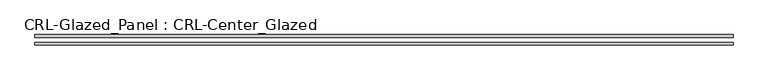
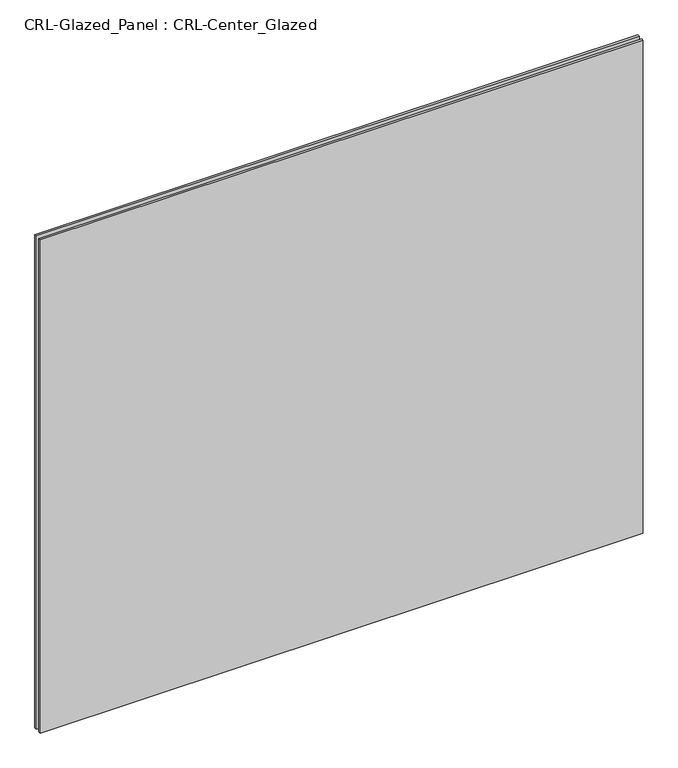
"""IFC4 building model written with IfcOpenShell, lengths in millimetres: plate geometry, CRL-Glazed_Panel : CRL-Center_Glazed."""

from ifc_helpers import new_model, si_unit, origin, origin_with_axes, place, context, project, spatial, polyline, outline, extrude, source, transform, mapped, element, save


def crl_glazed_panel_crl_center_glazed_9f22b677(model_context):
    return source(origin(), model_context, "Body", "SweptSolid", [
        extrude(outline(polyline([(839.7874516, 12.7), (839.7874516, 6.35), (-839.7874516, 6.35), (-839.7874516, 12.7), (839.7874516, 12.7)])), origin_with_axes(), (0.0, 0.0, 1.0), 1451.5591819),
        extrude(outline(polyline([(-839.7874516, -6.35), (839.7874516, -6.35), (839.7874516, -12.7), (-839.7874516, -12.7), (-839.7874516, -6.35)])), origin_with_axes(), (0.0, 0.0, 1.0), 1451.5591819),
    ])


if __name__ == "__main__":
    model = new_model("IFC4")
    model_context = context("Model", 3, world=origin())
    ifc_project = project(units=[si_unit("LENGTHUNIT", "METRE", prefix="MILLI")], contexts=[model_context])
    site = spatial("IfcSite", under=ifc_project)
    building = spatial("IfcBuilding", under=site)
    placement = place(None, origin())
    crl_glazed_panel_crl_center_glazed_shape = crl_glazed_panel_crl_center_glazed_9f22b677(model_context)
    element("IfcPlate", 1, ObjectType="CRL-Glazed_Panel : CRL-Center_Glazed", at=placement, inside=building, context=model_context, shape_type="MappedRepresentation", body=[
        mapped(crl_glazed_panel_crl_center_glazed_shape, transform((0.0, 0.0, 0.0), x_axis=(1.0, 0.0, 0.0), y_axis=(0.0, 1.0, 0.0), z_axis=(0.0, 0.0, 1.0))),
    ])
    save(model, "model.ifc")
